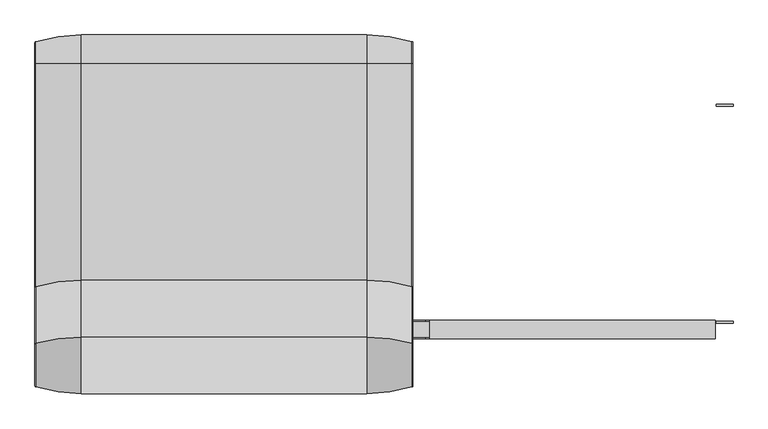
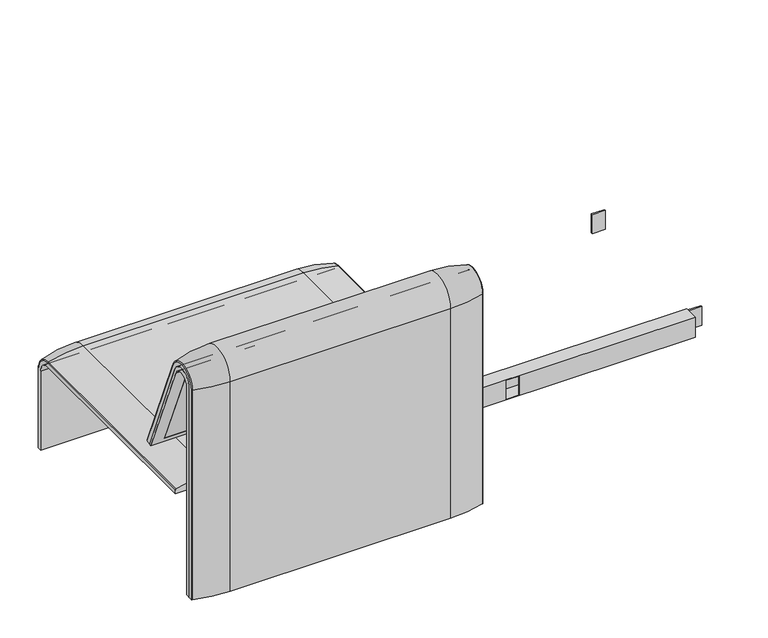
"""IFC4 building model written with IfcOpenShell, lengths in millimetres: furniture geometry."""

from ifc_helpers import new_model, si_unit, point, frame, frame_2d, origin, place, context, project, spatial, polyline, circle_curve, ellipse_curve, trimmed, segment, composite_curve, outline, extrude, source, transform, mapped, element, save
from ifc_brep_helpers import plane_surface, cylinder_surface, revolved_surface, advanced_brep


def furniture_b4c11565(model_context):
    return source(origin(), model_context, "Body", "SolidModel", [
        advanced_brep(
        [(-815.9812488, 368.7793679, 100.5089435), (-813.8426203, 371.6530483, 100.5089435), (-715.9812488, 386.0043559, 100.5089435), (-100.0, 386.0043559, 100.5089435), (-2.1386285, 371.6530483, 100.5089435), (0.0, 368.7793679, 100.5089435), (0.0, 357.5, 100.5089435), (-815.9812488, 357.5, 100.5089435), (-815.9812488, -295.0, 377.4518019), (-815.9812488, -295.0, 366.172434), (0.0, -295.0, 366.172434), (0.0, -295.0, 377.4518019), (-2.1386285, -295.0, 380.3254823), (-100.0, -295.0, 394.67679), (-715.9812488, -295.0, 394.67679), (-813.8426203, -295.0, 380.3254823), (-815.9812488, 357.5, 333.0583003), (-815.9812488, 324.3858663, 366.172434), (-815.9812488, 324.3858663, 377.4518019), (-815.9812488, 368.7793679, 333.0583003), (0.0, 357.5, 333.0583003), (-715.9812488, 386.0043559, 333.0583003), (-100.0, 386.0043559, 333.0583003), (-813.8426203, 371.6530483, 333.0583003), (0.0, 324.3858663, 366.172434), (-715.9812488, 324.3858663, 394.67679), (-100.0, 324.3858663, 394.67679), (-813.8426203, 324.3858663, 380.3254823), (0.0, 368.7793679, 333.0583003), (0.0, 324.3858663, 377.4518019), (-2.1386285, 371.6530483, 333.0583003), (-2.1386285, 324.3858663, 380.3254823)],
        [
            (0, 1, circle_curve(frame((-812.9812488, 368.7793679, 100.5089435), z_axis=(0.0, 0.0, -1.0), x_axis=(1.0, 0.0, 0.0)), 3.0)),
            (1, 2, circle_curve(frame((-715.9812488, 45.1710226, 100.5089435), z_axis=(0.0, 0.0, -1.0), x_axis=(0.0, -1.0, 0.0)), 340.8333333)),
            (2, 3),
            (3, 4, circle_curve(frame((-100.0, 45.1710226, 100.5089435), z_axis=(0.0, 0.0, -1.0), x_axis=(0.0, -1.0, 0.0)), 340.8333333)),
            (4, 5, circle_curve(frame((-3.0, 368.7793679, 100.5089435), z_axis=(0.0, 0.0, -1.0), x_axis=(-1.0, 0.0, 0.0)), 3.0)),
            (5, 6),
            (6, 7),
            (7, 0),
            (8, 9),
            (9, 10),
            (10, 11),
            (11, 12, circle_curve(frame((-3.0, -295.0, 377.4518019), z_axis=(0.0, -1.0, 0.0), x_axis=(-1.0, 0.0, 0.0)), 3.0)),
            (12, 13, circle_curve(frame((-100.0, -295.0, 53.8434566), z_axis=(0.0, -1.0, 0.0), x_axis=(0.0, 0.0, -1.0)), 340.8333333)),
            (13, 14),
            (14, 15, circle_curve(frame((-715.9812488, -295.0, 53.8434566), z_axis=(0.0, -1.0, 0.0), x_axis=(0.0, 0.0, -1.0)), 340.8333333)),
            (15, 8, circle_curve(frame((-812.9812488, -295.0, 377.4518019), z_axis=(0.0, -1.0, 0.0), x_axis=(1.0, 0.0, 0.0)), 3.0)),
            (7, 16),
            (16, 17, circle_curve(frame((-815.9812488, 324.3858663, 333.0583003), z_axis=(1.0, 0.0, 0.0), x_axis=(0.0, 1.0, 0.0)), 33.1141337)),
            (17, 9),
            (8, 18),
            (18, 19, circle_curve(frame((-815.9812488, 324.3858663, 333.0583003), z_axis=(-1.0, 0.0, 0.0), x_axis=(0.0, 1.0, 0.0)), 44.3935016)),
            (19, 0),
            (6, 20),
            (20, 16),
            (2, 21),
            (21, 22),
            (22, 3),
            (1, 23),
            (23, 21, circle_curve(frame((-715.9812488, 45.1710226, 333.0583003), z_axis=(0.0, 0.0, -1.0), x_axis=(0.0, -1.0, 0.0)), 340.8333333)),
            (19, 23, circle_curve(frame((-812.9812488, 368.7793679, 333.0583003), z_axis=(0.0, 0.0, -1.0), x_axis=(1.0, 0.0, 0.0)), 3.0)),
            (24, 17),
            (20, 24, circle_curve(frame((0.0, 324.3858663, 333.0583003), z_axis=(1.0, 0.0, 0.0), x_axis=(0.0, 1.0, 0.0)), 33.1141337)),
            (25, 26),
            (26, 22, circle_curve(frame((-100.0, 324.3858663, 333.0583003), z_axis=(-1.0, 0.0, 0.0), x_axis=(0.0, 1.0, 0.0)), 61.6184897)),
            (21, 25, circle_curve(frame((-715.9812488, 324.3858663, 333.0583003), z_axis=(1.0, 0.0, 0.0), x_axis=(0.0, 1.0, 0.0)), 61.6184897)),
            (27, 25, circle_curve(frame((-715.9812488, 324.3858663, 53.8434566), z_axis=(0.0, 1.0, 0.0), x_axis=(0.0, 0.0, -1.0)), 340.8333333)),
            (23, 27, circle_curve(frame((-813.8426203, 324.3858663, 333.0583003), z_axis=(1.0, 0.0, 0.0), x_axis=(0.0, 1.0, 0.0)), 47.267182)),
            (18, 27, circle_curve(frame((-812.9812488, 324.3858663, 377.4518019), z_axis=(0.0, 1.0, 0.0), x_axis=(1.0, 0.0, 0.0)), 3.0)),
            (24, 10),
            (25, 14),
            (13, 26),
            (27, 15),
            (5, 28),
            (28, 29, circle_curve(frame((0.0, 324.3858663, 333.0583003), z_axis=(1.0, 0.0, 0.0), x_axis=(0.0, 1.0, 0.0)), 44.3935016)),
            (29, 11),
            (4, 30),
            (30, 28, circle_curve(frame((-3.0, 368.7793679, 333.0583003), z_axis=(0.0, 0.0, -1.0), x_axis=(-1.0, 0.0, 0.0)), 3.0)),
            (22, 30, circle_curve(frame((-100.0, 45.1710226, 333.0583003), z_axis=(0.0, 0.0, -1.0), x_axis=(0.0, -1.0, 0.0)), 340.8333333)),
            (31, 29, circle_curve(frame((-3.0, 324.3858663, 377.4518019), z_axis=(0.0, 1.0, 0.0), x_axis=(-1.0, 0.0, 0.0)), 3.0)),
            (30, 31, circle_curve(frame((-2.1386285, 324.3858663, 333.0583003), z_axis=(1.0, 0.0, 0.0), x_axis=(0.0, 1.0, 0.0)), 47.267182)),
            (26, 31, circle_curve(frame((-100.0, 324.3858663, 53.8434566), z_axis=(0.0, 1.0, 0.0), x_axis=(0.0, 0.0, -1.0)), 340.8333333)),
            (31, 12),
        ],
        [
            plane_surface(frame((-815.9812488, 357.5, 100.5089435), z_axis=(0.0, 0.0, -1.0), x_axis=(1.0, 0.0, 0.0))),
            plane_surface(frame((-815.9812488, -295.0, 366.172434), z_axis=(0.0, -1.0, 0.0), x_axis=(1.0, 0.0, 0.0))),
            plane_surface(frame((-815.9812488, 368.7793679, 100.5089435), z_axis=(-1.0, 0.0, 0.0), x_axis=(0.0, 0.0, 1.0))),
            plane_surface(frame((-815.9812488, 357.5, 100.5089435), z_axis=(0.0, -1.0, 0.0), x_axis=(0.0, 0.0, 1.0))),
            plane_surface(frame((-100.0, 386.0043559, 100.5089435), z_axis=(0.0, 1.0, 0.0), x_axis=(0.0, 0.0, 1.0))),
            cylinder_surface(frame((-715.9812488, 45.1710226, 100.5089435), z_axis=(0.0, 0.0, -1.0), x_axis=(0.0, -1.0, 0.0)), 340.8333333),
            cylinder_surface(frame((-812.9812488, 368.7793679, 100.5089435), z_axis=(0.0, 0.0, -1.0), x_axis=(1.0, 0.0, 0.0)), 3.0),
            revolved_surface(polyline([(-815.9812488, 357.5, 333.0583003), (0.0, 357.5, 333.0583003)]), (-815.9812488, 324.3858663, 333.0583003), (-1.0, 0.0, 0.0)),
            cylinder_surface(frame((-815.9812488, 324.3858663, 333.0583003), z_axis=(-1.0, 0.0, 0.0), x_axis=(0.0, 1.0, 0.0)), 61.6184897),
            revolved_surface(trimmed(ellipse_curve(frame((-715.9812488, 45.1710226, 333.0583003), z_axis=(0.0, 0.0, 1.0), x_axis=(0.0, -1.0, 0.0)), 340.8333333, 340.8333333), [point((-715.9812488, 386.0043559, 333.0583003))], [point((-813.8426203, 371.6530483, 333.0583003))], True, "CARTESIAN"), (-815.9812488, 324.3858663, 333.0583003), (-1.0, 0.0, 0.0)),
            revolved_surface(trimmed(ellipse_curve(frame((-812.9812488, 368.7793679, 333.0583003), z_axis=(0.0, 0.0, 1.0), x_axis=(1.0, 0.0, 0.0)), 3.0, 3.0), [point((-813.8426203, 371.6530483, 333.0583003))], [point((-815.9812488, 368.7793679, 333.0583003))], True, "CARTESIAN"), (-815.9812488, 324.3858663, 333.0583003), (-1.0, 0.0, 0.0)),
            plane_surface(frame((-815.9812488, 324.3858663, 366.172434), z_axis=(0.0, 0.0, -1.0), x_axis=(0.0, -1.0, 0.0))),
            plane_surface(frame((-100.0, 324.3858663, 394.67679), z_axis=(0.0, 0.0, 1.0), x_axis=(0.0, -1.0, 0.0))),
            cylinder_surface(frame((-715.9812488, 324.3858663, 53.8434566), z_axis=(0.0, 1.0, 0.0), x_axis=(0.0, 0.0, -1.0)), 340.8333333),
            cylinder_surface(frame((-812.9812488, 324.3858663, 377.4518019), z_axis=(0.0, 1.0, 0.0), x_axis=(1.0, 0.0, 0.0)), 3.0),
            plane_surface(frame((0.0, 357.5, 100.5089435), z_axis=(1.0, 0.0, 0.0), x_axis=(0.0, 0.0, 1.0))),
            cylinder_surface(frame((-3.0, 368.7793679, 100.5089435), z_axis=(0.0, 0.0, -1.0), x_axis=(-1.0, 0.0, 0.0)), 3.0),
            cylinder_surface(frame((-100.0, 45.1710226, 100.5089435), z_axis=(0.0, 0.0, -1.0), x_axis=(0.0, -1.0, 0.0)), 340.8333333),
            revolved_surface(trimmed(ellipse_curve(frame((-3.0, 368.7793679, 333.0583003), z_axis=(0.0, 0.0, 1.0), x_axis=(-1.0, 0.0, 0.0)), 3.0, 3.0), [point((0.0, 368.7793679, 333.0583003))], [point((-2.1386285, 371.6530483, 333.0583003))], True, "CARTESIAN"), (-815.9812488, 324.3858663, 333.0583003), (-1.0, 0.0, 0.0)),
            revolved_surface(trimmed(ellipse_curve(frame((-100.0, 45.1710226, 333.0583003), z_axis=(0.0, 0.0, 1.0), x_axis=(0.0, -1.0, 0.0)), 340.8333333, 340.8333333), [point((-2.1386285, 371.6530483, 333.0583003))], [point((-100.0, 386.0043559, 333.0583003))], True, "CARTESIAN"), (-815.9812488, 324.3858663, 333.0583003), (-1.0, 0.0, 0.0)),
            cylinder_surface(frame((-3.0, 324.3858663, 377.4518019), z_axis=(0.0, 1.0, 0.0), x_axis=(-1.0, 0.0, 0.0)), 3.0),
            cylinder_surface(frame((-100.0, 324.3858663, 53.8434566), z_axis=(0.0, 1.0, 0.0), x_axis=(0.0, 0.0, -1.0)), 340.8333333),
        ],
        [
            (0, [[1, 2, 3, 4, 5, 6, 7, 8]]),
            (1, [[9, 10, 11, 12, 13, 14, 15, 16]]),
            (2, [[17, 18, 19, -9, 20, 21, 22, -8]]),
            (3, [[23, 24, -17, -7]]),
            (4, [[25, 26, 27, -3]]),
            (5, [[28, 29, -25, -2]]),
            (6, [[-22, 30, -28, -1]]),
            (7, [[31, -18, -24, 32]]),
            (8, [[33, 34, -26, 35]]),
            (9, [[36, -35, -29, 37]]),
            (10, [[38, -37, -30, -21]]),
            (11, [[39, -10, -19, -31]]),
            (12, [[40, -14, 41, -33]]),
            (13, [[42, -15, -40, -36]]),
            (14, [[-20, -16, -42, -38]]),
            (15, [[43, 44, 45, -11, -39, -32, -23, -6]]),
            (16, [[46, 47, -43, -5]]),
            (17, [[-27, 48, -46, -4]]),
            (18, [[49, -44, -47, 50]]),
            (19, [[51, -50, -48, -34]]),
            (20, [[52, -12, -45, -49]]),
            (21, [[-41, -13, -52, -51]]),
        ],
    ),
        advanced_brep(
        [(0.0165441, -351.0000061, 101.8476716), (0.0165441, -351.0000061, 712.9272623), (0.0165441, -296.2720241, 723.9759107), (0.0165441, -175.0204081, 435.9866665), (0.0165441, -170.1966807, 437.98305), (0.0165441, -292.4403877, 733.7122262), (0.0165441, -359.7858817, 720.3417731), (0.0165441, -359.7858817, 101.8476716), (-815.9647047, -351.0000061, 101.8476716), (-815.9647047, -359.7858817, 101.8476716), (-815.9647047, -359.7858817, 720.3417731), (-815.9647047, -292.4403877, 733.7122262), (-815.9647047, -170.1966807, 437.98305), (-815.9647047, -175.0204081, 435.9866665), (-815.9647047, -296.2458652, 723.9869215), (-815.9647047, -351.0000061, 712.9272623), (-781.0812488, -292.4403877, 733.7122262), (-781.0812488, -176.0980387, 452.25948), (-34.9, -176.0980387, 452.25948), (-34.9, -292.4403877, 733.7122262), (-34.9, -296.2458652, 723.9869215), (-34.9, -181.0136548, 450.2250668), (-781.0812488, -181.0136548, 450.2250668), (-781.0812488, -296.2458652, 723.9869215), (-781.0812488, -351.0000061, 712.9272623), (-781.0812488, -351.0000061, 135.3766997), (-34.9, -351.0000061, 135.3766997), (-34.9, -351.0000061, 712.9272623), (-34.9, -359.7858817, 720.3417731), (-34.9, -359.7858817, 135.3766997), (-781.0812488, -359.7858817, 135.3766997), (-781.0812488, -359.7858817, 720.3417731)],
        [
            (0, 1),
            (1, 2, circle_curve(frame((0.0165441, -322.520748, 712.9272623), z_axis=(-1.0, 0.0, 0.0), x_axis=(0.0, 1.0, 0.0)), 28.479258)),
            (2, 3),
            (3, 4),
            (4, 5),
            (5, 6, circle_curve(frame((0.0165441, -324.7858817, 720.3417731), z_axis=(1.0, 0.0, 0.0), x_axis=(0.0, 1.0, 0.0)), 35.0)),
            (6, 7),
            (7, 0),
            (8, 9),
            (9, 10),
            (10, 11, circle_curve(frame((-815.9647047, -324.7858817, 720.3417731), z_axis=(-1.0, 0.0, 0.0), x_axis=(0.0, 1.0, 0.0)), 35.0)),
            (11, 12),
            (12, 13),
            (13, 14),
            (14, 15, circle_curve(frame((-815.9647047, -322.520748, 712.9272623), z_axis=(1.0, 0.0, 0.0), x_axis=(0.0, 1.0, 0.0)), 28.479258)),
            (15, 8),
            (4, 12),
            (11, 16),
            (16, 17),
            (17, 18),
            (18, 19),
            (19, 5),
            (3, 13),
            (2, 20),
            (20, 21),
            (21, 22),
            (22, 23),
            (23, 14),
            (0, 8),
            (15, 24),
            (24, 25),
            (25, 26),
            (26, 27),
            (27, 1),
            (7, 9),
            (6, 28),
            (28, 29),
            (29, 30),
            (30, 31),
            (31, 10),
            (19, 28, circle_curve(frame((-34.9, -324.7858817, 720.3417731), z_axis=(1.0, 0.0, 0.0), x_axis=(0.0, 1.0, 0.0)), 35.0)),
            (31, 16, circle_curve(frame((-781.0812488, -324.7858817, 720.3417731), z_axis=(-1.0, 0.0, 0.0), x_axis=(0.0, 1.0, 0.0)), 35.0)),
            (27, 20, circle_curve(frame((-34.9, -322.520748, 712.9272623), z_axis=(-1.0, 0.0, 0.0), x_axis=(0.0, 1.0, 0.0)), 28.479258)),
            (23, 24, circle_curve(frame((-781.0812488, -322.520748, 712.9272623), z_axis=(1.0, 0.0, 0.0), x_axis=(0.0, 1.0, 0.0)), 28.479258)),
            (26, 29),
            (18, 21),
            (22, 17),
            (30, 25),
        ],
        [
            plane_surface(frame((0.0165441, -359.7858817, 101.8476716), z_axis=(1.0, 0.0, 0.0), x_axis=(0.0, -1.0, 0.0))),
            plane_surface(frame((-815.9647047, -359.7858817, 101.8476716), z_axis=(-1.0, 0.0, 0.0), x_axis=(0.0, 1.0, 0.0))),
            plane_surface(frame((0.0165441, -292.4403877, 733.7122262), z_axis=(0.0, 0.9241569717933176, 0.3820129467515535), x_axis=(-1.0, 0.0, 0.0))),
            plane_surface(frame((0.0165441, -170.1966807, 437.98305), z_axis=(0.0, 0.38241039441983893, -0.9239925812687368), x_axis=(-1.0, 0.0, 0.0))),
            plane_surface(frame((0.0165441, -175.0204081, 435.9866665), z_axis=(0.0, -0.921678643444566, -0.3879542218073993), x_axis=(-1.0, 0.0, 0.0))),
            plane_surface(frame((0.0165441, -351.0000061, 712.9272623), z_axis=(0.0, 1.0, 0.0), x_axis=(-1.0, 0.0, 0.0))),
            plane_surface(frame((0.0165441, -351.0000061, 101.8476716), z_axis=(0.0, 0.0, -1.0), x_axis=(-1.0, 0.0, 0.0))),
            plane_surface(frame((0.0165441, -359.7858817, 101.8476716), z_axis=(0.0, -1.0, 0.0), x_axis=(-1.0, 0.0, 0.0))),
            cylinder_surface(frame((-815.9647047, -324.7858817, 720.3417731), z_axis=(1.0, 0.0, 0.0), x_axis=(0.0, 1.0, 0.0)), 35.0),
            revolved_surface(polyline([(-34.89999999999998, -294.04149, 712.9272623), (0.016544100000032813, -294.04149, 712.9272623)]), (-815.9647047, -322.520748, 712.9272623), (-1.0, 0.0, 0.0)),
            revolved_surface(polyline([(-815.9647047, -294.04149, 712.9272623), (-781.0812488, -294.04149, 712.9272623)]), (-815.9647047, -322.520748, 712.9272623), (-1.0, 0.0, 0.0)),
            plane_surface(frame((-34.9, -359.7858817, 135.3766997), z_axis=(-1.0, 0.0, 0.0), x_axis=(0.0, -1.0, 0.0))),
            plane_surface(frame((-781.0812488, -359.7858817, 135.3766997), z_axis=(1.0, 0.0, 0.0), x_axis=(0.0, 1.0, 0.0))),
            plane_surface(frame((-34.9, -166.9120641, 456.0612553), z_axis=(0.0, -0.38241039441982605, 0.9239925812687422), x_axis=(-1.0, 0.0, 0.0))),
            plane_surface(frame((-34.9, -344.7858817, 135.3766997), z_axis=(0.0, 0.0, 1.0), x_axis=(-1.0, 0.0, 0.0))),
        ],
        [
            (0, [[1, 2, 3, 4, 5, 6, 7, 8]]),
            (1, [[9, 10, 11, 12, 13, 14, 15, 16]]),
            (2, [[17, -12, 18, 19, 20, 21, 22, -5]]),
            (3, [[23, -13, -17, -4]]),
            (4, [[24, 25, 26, 27, 28, -14, -23, -3]]),
            (5, [[29, -16, 30, 31, 32, 33, 34, -1]]),
            (6, [[35, -9, -29, -8]]),
            (7, [[36, 37, 38, 39, 40, -10, -35, -7]]),
            (8, [[-22, 41, -36, -6]]),
            (8, [[-40, 42, -18, -11]]),
            (9, [[-34, 43, -24, -2]]),
            (10, [[-28, 44, -30, -15]]),
            (11, [[-25, -43, -33, 45, -37, -41, -21, 46]]),
            (12, [[-31, -44, -27, 47, -19, -42, -39, 48]]),
            (13, [[-20, -47, -26, -46]]),
            (14, [[-32, -48, -38, -45]]),
        ],
    ),
        advanced_brep(
        [(-34.9, -351.0000061, 135.3766997), (-34.9, -351.0000061, 712.9272623), (-34.9, -296.2720241, 723.9759107), (-34.9, -181.0136548, 450.2250668), (-34.9, -176.0980387, 452.25948), (-34.9, -292.4403877, 733.7122262), (-34.9, -359.7858817, 720.3417731), (-34.9, -359.7858817, 135.3766997), (-781.0812488, -351.0000061, 135.3766997), (-781.0812488, -359.7858817, 135.3766997), (-781.0812488, -359.7858817, 720.3417731), (-781.0812488, -292.4403877, 733.7122262), (-781.0812488, -176.0980387, 452.25948), (-781.0812488, -181.0136548, 450.2250668), (-781.0812488, -296.2458652, 723.9869215), (-781.0812488, -351.0000061, 712.9272623)],
        [
            (0, 1),
            (1, 2, circle_curve(frame((-34.9, -322.520748, 712.9272623), z_axis=(-1.0, 0.0, 0.0), x_axis=(0.0, 1.0, 0.0)), 28.479258)),
            (2, 3),
            (3, 4),
            (4, 5),
            (5, 6, circle_curve(frame((-34.9, -324.7858817, 720.3417731), z_axis=(1.0, 0.0, 0.0), x_axis=(0.0, 1.0, 0.0)), 35.0)),
            (6, 7),
            (7, 0),
            (8, 9),
            (9, 10),
            (10, 11, circle_curve(frame((-781.0812488, -324.7858817, 720.3417731), z_axis=(-1.0, 0.0, 0.0), x_axis=(0.0, 1.0, 0.0)), 35.0)),
            (11, 12),
            (12, 13),
            (13, 14),
            (14, 15, circle_curve(frame((-781.0812488, -322.520748, 712.9272623), z_axis=(1.0, 0.0, 0.0), x_axis=(0.0, 1.0, 0.0)), 28.479258)),
            (15, 8),
            (4, 12),
            (11, 5),
            (3, 13),
            (2, 14),
            (0, 8),
            (15, 1),
            (7, 9),
            (6, 10),
        ],
        [
            plane_surface(frame((-34.9, -359.7858817, 135.3766997), z_axis=(1.0, 0.0, 0.0), x_axis=(0.0, -1.0, 0.0))),
            plane_surface(frame((-781.0812488, -359.7858817, 135.3766997), z_axis=(-1.0, 0.0, 0.0), x_axis=(0.0, 1.0, 0.0))),
            plane_surface(frame((-34.9, -292.4403877, 733.7122262), z_axis=(0.0, 0.9241569717933176, 0.3820129467515535), x_axis=(-1.0, 0.0, 0.0))),
            plane_surface(frame((-34.9, -176.0980387, 452.25948), z_axis=(0.0, 0.38241039441982716, -0.9239925812687417), x_axis=(-1.0, 0.0, 0.0))),
            plane_surface(frame((-34.9, -181.0136548, 450.2250668), z_axis=(0.0, -0.921678643444566, -0.3879542218073993), x_axis=(-1.0, 0.0, 0.0))),
            plane_surface(frame((-34.9, -351.0000061, 712.9272623), z_axis=(0.0, 1.0, 0.0), x_axis=(-1.0, 0.0, 0.0))),
            plane_surface(frame((-34.9, -351.0000061, 135.3766997), z_axis=(0.0, 0.0, -1.0), x_axis=(-1.0, 0.0, 0.0))),
            plane_surface(frame((-34.9, -359.7858817, 135.3766997), z_axis=(0.0, -1.0, 0.0), x_axis=(-1.0, 0.0, 0.0))),
            cylinder_surface(frame((-781.0812488, -324.7858817, 720.3417731), z_axis=(1.0, 0.0, 0.0), x_axis=(0.0, 1.0, 0.0)), 35.0),
            revolved_surface(polyline([(-781.0812488, -294.04149, 712.9272623), (-34.89999999999998, -294.04149, 712.9272623)]), (-781.0812488, -322.520748, 712.9272623), (-1.0, 0.0, 0.0)),
        ],
        [
            (0, [[1, 2, 3, 4, 5, 6, 7, 8]]),
            (1, [[9, 10, 11, 12, 13, 14, 15, 16]]),
            (2, [[17, -12, 18, -5]]),
            (3, [[19, -13, -17, -4]]),
            (4, [[20, -14, -19, -3]]),
            (5, [[21, -16, 22, -1]]),
            (6, [[23, -9, -21, -8]]),
            (7, [[24, -10, -23, -7]]),
            (8, [[-18, -11, -24, -6]]),
            (9, [[-22, -15, -20, -2]]),
        ],
    ),
        extrude(outline(composite_curve([segment(polyline([(-305.0000061, 349.9223263), (-285.0000061, 349.9223263)]), True, "CONTINUOUS"), segment(trimmed(circle_curve(frame_2d((-285.0000061, 359.9223263)), 10.0), [point((-285.0000061, 349.9223263))], [point((-275.0000061, 359.9223263))], True, "CARTESIAN"), True, "CONTINUOUS"), segment(polyline([(-275.0000061, 359.9223263), (-270.0000061, 359.9223263), (-270.0000061, 299.9223263), (-309.4476, 299.9223263)]), True, "CONTINUOUS"), segment(trimmed(circle_curve(frame_2d((-309.4476, 269.9223263)), 30.0), [point((-309.4476, 299.9223263))], [point((-339.4064861, 271.492405))], True, "CARTESIAN"), True, "CONTINUOUS"), segment(polyline([(-339.4064861, 271.492405), (-343.3075759, 197.0551771), (-351.0000061, 197.0551771), (-351.0000061, 712.9272623)]), True, "CONTINUOUS"), segment(trimmed(circle_curve(frame_2d((-322.520748, 712.9272623)), 28.479258), [point((-351.0000061, 712.9272623))], [point((-296.3054528, 724.0549949))], False, "CARTESIAN"), True, "CONTINUOUS"), segment(polyline([(-296.3054528, 724.0549949), (-213.7507451, 529.5682915), (-222.2725218, 526.5505721), (-238.0355877, 560.3545758)]), True, "CONTINUOUS"), segment(trimmed(circle_curve(frame_2d((-251.6302045, 554.0153019)), 15.0), [point((-238.0355877, 560.3545758))], [point((-257.4911714, 567.8228747))], True, "CARTESIAN"), True, "CONTINUOUS"), segment(polyline([(-257.4911714, 567.8228747), (-316.7219399, 542.6809051)]), True, "CONTINUOUS"), segment(trimmed(circle_curve(frame_2d((-305.0000061, 515.0657595)), 30.0), [point((-316.7219399, 542.6809051))], [point((-335.0000061, 515.0657595))], True, "CARTESIAN"), True, "CONTINUOUS"), segment(polyline([(-335.0000061, 515.0657595), (-335.0000061, 379.9223263)]), True, "CONTINUOUS"), segment(trimmed(circle_curve(frame_2d((-305.0000061, 379.9223263)), 30.0), [point((-335.0000061, 379.9223263))], [point((-305.0000061, 349.9223263))], True, "CARTESIAN"), True, "CONTINUOUS")], self_intersect=False), holes=[composite_curve([segment(trimmed(circle_curve(frame_2d((-319.9867182, 576.3274105)), 17.5132879), [point((-337.5000061, 576.3274105))], [point((-314.1406626, 559.8186587))], True, "CARTESIAN"), True, "CONTINUOUS"), segment(polyline([(-314.1406626, 559.8186587), (-265.0756376, 577.1934953)]), True, "CONTINUOUS"), segment(trimmed(circle_curve(frame_2d((-271.7517748, 596.0463251)), 20.0), [point((-265.0756376, 577.1934953))], [point((-253.6256191, 604.4986904))], True, "CARTESIAN"), True, "CONTINUOUS"), segment(polyline([(-253.6256191, 604.4986904), (-308.9053893, 723.0465402)]), True, "CONTINUOUS"), segment(trimmed(circle_curve(frame_2d((-322.5000061, 716.7072663)), 15.0), [point((-308.9053893, 723.0465402))], [point((-337.5000061, 716.7072663))], True, "CARTESIAN"), True, "CONTINUOUS"), segment(polyline([(-337.5000061, 716.7072663), (-337.5000061, 576.3274105)]), True, "CONTINUOUS")], self_intersect=False)]), frame((-162.9958276, 0.0, 0.0), z_axis=(1.0, 0.0, 0.0), x_axis=(0.0, 1.0, 0.0)), (0.0, 0.0, 1.0), 40.0),
        advanced_brep(
        [(-99.9834559, -388.2902376, 100.5089435), (-715.997793, -388.2902376, 100.5089435), (-813.8591645, -373.93893, 100.5089435), (-815.997793, -371.0652495, 100.5089435), (-815.997793, -359.7858817, 100.5089435), (0.0165441, -359.7858817, 100.5089435), (0.0165441, -371.0652495, 100.5089435), (-2.1220844, -373.93893, 100.5089435), (-99.9834559, -388.2902376, 720.3417731), (-715.997793, -388.2902376, 720.3417731), (-2.1220844, -373.93893, 720.3417731), (0.0165441, -371.0652495, 720.3417731), (0.0165441, -359.7858817, 720.3417731), (0.0165441, -292.4403877, 733.7122262), (0.0165441, -170.1962447, 437.9819952), (0.0165441, -159.7723383, 442.2908598), (0.0165441, -282.0164812, 738.0210907), (-815.997793, -359.7858817, 720.3417731), (-99.9834559, -143.8537454, 448.8710282), (-2.1220844, -157.1166065, 443.3886429), (-815.997793, -170.1962447, 437.9819952), (-815.997793, -159.7723383, 442.2908598), (-813.8591645, -157.1166065, 443.3886429), (-715.997793, -143.8537454, 448.8710282), (-99.9834559, -266.0978884, 744.6012592), (-715.997793, -266.0978884, 744.6012592), (-2.1220844, -279.3607494, 739.1188739), (-815.997793, -292.4403877, 733.7122262), (-815.997793, -371.0652495, 720.3417731), (-815.997793, -282.0164812, 738.0210907), (-813.8591645, -373.93893, 720.3417731), (-813.8591645, -279.3607494, 739.1188739)],
        [
            (0, 1),
            (1, 2, circle_curve(frame((-715.997793, -47.4569043, 100.5089435), z_axis=(0.0, 0.0, -1.0), x_axis=(0.0, 1.0, 0.0)), 340.8333333)),
            (2, 3, circle_curve(frame((-812.997793, -371.0652495, 100.5089435), z_axis=(0.0, 0.0, -1.0), x_axis=(-1.0, 0.0, 0.0)), 3.0)),
            (3, 4),
            (4, 5),
            (5, 6),
            (6, 7, circle_curve(frame((-2.9834559, -371.0652495, 100.5089435), z_axis=(0.0, 0.0, -1.0), x_axis=(1.0, 0.0, 0.0)), 3.0)),
            (7, 0, circle_curve(frame((-99.9834559, -47.4569043, 100.5089435), z_axis=(0.0, 0.0, -1.0), x_axis=(0.0, 1.0, 0.0)), 340.8333333)),
            (0, 8),
            (8, 9),
            (9, 1),
            (7, 10),
            (10, 8, circle_curve(frame((-99.9834559, -47.4569043, 720.3417731), z_axis=(0.0, 0.0, -1.0), x_axis=(0.0, 1.0, 0.0)), 340.8333333)),
            (6, 11),
            (11, 10, circle_curve(frame((-2.9834559, -371.0652495, 720.3417731), z_axis=(0.0, 0.0, -1.0), x_axis=(1.0, 0.0, 0.0)), 3.0)),
            (5, 12),
            (12, 13, circle_curve(frame((0.0165441, -324.7858817, 720.3417731), z_axis=(-1.0, 0.0, 0.0), x_axis=(0.0, -1.0, 0.0)), 35.0)),
            (13, 14),
            (14, 15),
            (15, 16),
            (16, 11, circle_curve(frame((0.0165441, -324.7858817, 720.3417731), z_axis=(1.0, 0.0, 0.0), x_axis=(0.0, -1.0, 0.0)), 46.2793679)),
            (4, 17),
            (17, 12),
            (18, 19, circle_curve(frame((-99.9834559, -458.8372467, 318.6682822), z_axis=(0.0, 0.38201294675155345, -0.9241569717933176), x_axis=(0.0, -0.9241569717933176, -0.38201294675155345)), 340.8333333)),
            (19, 15, circle_curve(frame((-2.9834559, -159.7723383, 442.2908598), z_axis=(0.0, 0.38201294675155345, -0.9241569717933176), x_axis=(1.0, 0.0, 0.0)), 3.0)),
            (14, 20),
            (20, 21),
            (21, 22, circle_curve(frame((-812.997793, -159.7723383, 442.2908598), z_axis=(0.0, 0.38201294675155345, -0.9241569717933176), x_axis=(-1.0, 0.0, 0.0)), 3.0)),
            (22, 23, circle_curve(frame((-715.997793, -458.8372467, 318.6682822), z_axis=(0.0, 0.38201294675155345, -0.9241569717933176), x_axis=(0.0, -0.9241569717933176, -0.38201294675155345)), 340.8333333)),
            (23, 18),
            (24, 25),
            (25, 9, circle_curve(frame((-715.997793, -324.7858817, 720.3417731), z_axis=(1.0, 0.0, 0.0), x_axis=(0.0, -1.0, 0.0)), 63.5043559)),
            (8, 24, circle_curve(frame((-99.9834559, -324.7858817, 720.3417731), z_axis=(-1.0, 0.0, 0.0), x_axis=(0.0, -1.0, 0.0)), 63.5043559)),
            (26, 24, circle_curve(frame((-99.9834559, -581.0813896, 614.3985132), z_axis=(0.0, -0.3820129467515544, 0.9241569717933172), x_axis=(0.0, -0.9241569717933172, -0.3820129467515544)), 340.8333333)),
            (10, 26, circle_curve(frame((-2.1220844, -324.7858817, 720.3417731), z_axis=(-1.0, 0.0, 0.0), x_axis=(0.0, -1.0, 0.0)), 49.1530483)),
            (16, 26, circle_curve(frame((-2.9834559, -282.0164812, 738.0210907), z_axis=(0.0, -0.38201294675155356, 0.9241569717933176), x_axis=(1.0, 0.0, 0.0)), 3.0)),
            (27, 13),
            (17, 27, circle_curve(frame((-815.997793, -324.7858817, 720.3417731), z_axis=(-1.0, 0.0, 0.0), x_axis=(0.0, -1.0, 0.0)), 35.0)),
            (24, 18),
            (23, 25),
            (26, 19),
            (27, 20),
            (3, 28),
            (28, 29, circle_curve(frame((-815.997793, -324.7858817, 720.3417731), z_axis=(-1.0, 0.0, 0.0), x_axis=(0.0, -1.0, 0.0)), 46.2793679)),
            (29, 21),
            (2, 30),
            (30, 28, circle_curve(frame((-812.997793, -371.0652495, 720.3417731), z_axis=(0.0, 0.0, -1.0), x_axis=(-1.0, 0.0, 0.0)), 3.0)),
            (9, 30, circle_curve(frame((-715.997793, -47.4569043, 720.3417731), z_axis=(0.0, 0.0, -1.0), x_axis=(0.0, 1.0, 0.0)), 340.8333333)),
            (31, 29, circle_curve(frame((-812.997793, -282.0164812, 738.0210907), z_axis=(0.0, -0.3820129467515556, 0.9241569717933167), x_axis=(-1.0, 0.0, 0.0)), 3.0)),
            (30, 31, circle_curve(frame((-813.8591645, -324.7858817, 720.3417731), z_axis=(-1.0, 0.0, 0.0), x_axis=(0.0, -1.0, 0.0)), 49.1530483)),
            (25, 31, circle_curve(frame((-715.997793, -581.0813896, 614.3985132), z_axis=(0.0, -0.382012946751556, 0.9241569717933165), x_axis=(0.0, -0.9241569717933165, -0.382012946751556)), 340.8333333)),
            (31, 22),
        ],
        [
            plane_surface(frame((-403.2256012, -359.7858817, 100.5089435), z_axis=(0.0, 0.0, -1.0), x_axis=(1.0, 0.0, 0.0))),
            plane_surface(frame((-715.997793, -388.2902376, 100.5089435), z_axis=(0.0, -1.0, 0.0), x_axis=(0.0, 0.0, 1.0))),
            cylinder_surface(frame((-99.9834559, -47.4569043, 100.5089435), z_axis=(0.0, 0.0, -1.0), x_axis=(0.0, 1.0, 0.0)), 340.8333333),
            cylinder_surface(frame((-2.9834559, -371.0652495, 100.5089435), z_axis=(0.0, 0.0, -1.0), x_axis=(1.0, 0.0, 0.0)), 3.0),
            plane_surface(frame((0.0165441, -371.0652495, 100.5089435), z_axis=(1.0, 0.0, 0.0), x_axis=(0.0, 0.0, 1.0))),
            plane_surface(frame((0.0165441, -359.7858817, 100.5089435), z_axis=(0.0, 1.0, 0.0), x_axis=(0.0, 0.0, 1.0))),
            plane_surface(frame((-403.2256012, -170.1962447, 437.9819952), z_axis=(0.0, 0.38201294675155345, -0.9241569717933176), x_axis=(1.0, 0.0, 0.0))),
            cylinder_surface(frame((-403.2256012, -324.7858817, 720.3417731), z_axis=(1.0, 0.0, 0.0), x_axis=(0.0, -1.0, 0.0)), 63.5043559),
            revolved_surface(trimmed(ellipse_curve(frame((-99.9834559, -47.4569043, 720.3417731), z_axis=(0.0, 0.0, 1.0), x_axis=(0.0, 1.0, 0.0)), 340.8333333, 340.8333333), [point((-99.9834559, -388.2902376, 720.3417731))], [point((-2.1220844, -373.93893, 720.3417731))], True, "CARTESIAN"), (-403.2256012, -324.7858817, 720.3417731), (1.0, 0.0, 0.0)),
            revolved_surface(trimmed(ellipse_curve(frame((-2.9834559, -371.0652495, 720.3417731), z_axis=(0.0, 0.0, 1.0), x_axis=(1.0, 0.0, 0.0)), 3.0, 3.0), [point((-2.1220844, -373.93893, 720.3417731))], [point((0.0165441, -371.0652495, 720.3417731))], True, "CARTESIAN"), (-403.2256012, -324.7858817, 720.3417731), (1.0, 0.0, 0.0)),
            revolved_surface(polyline([(0.01654409999997597, -359.7858817, 720.3417731), (-815.997793, -359.7858817, 720.3417731)]), (-403.2256012, -324.7858817, 720.3417731), (1.0, 0.0, 0.0)),
            plane_surface(frame((-715.997793, -266.0978884, 744.6012592), z_axis=(0.0, 0.9241569717933176, 0.38201294675155356), x_axis=(0.0, 0.38201294675155356, -0.9241569717933176))),
            cylinder_surface(frame((-99.9834559, -581.0813896, 614.3985132), z_axis=(0.0, -0.38201294675155345, 0.9241569717933176), x_axis=(0.0, -0.9241569717933176, -0.38201294675155345)), 340.8333333),
            cylinder_surface(frame((-2.9834559, -282.0164812, 738.0210907), z_axis=(0.0, -0.38201294675155345, 0.9241569717933176), x_axis=(1.0, 0.0, 0.0)), 3.0),
            plane_surface(frame((0.0165441, -292.4403877, 733.7122262), z_axis=(0.0, -0.9241569717933176, -0.38201294675155356), x_axis=(0.0, 0.38201294675155356, -0.9241569717933176))),
            plane_surface(frame((-815.997793, -359.7858817, 100.5089435), z_axis=(-1.0, 0.0, 0.0), x_axis=(0.0, 0.0, 1.0))),
            cylinder_surface(frame((-812.997793, -371.0652495, 100.5089435), z_axis=(0.0, 0.0, -1.0), x_axis=(-1.0, 0.0, 0.0)), 3.0),
            cylinder_surface(frame((-715.997793, -47.4569043, 100.5089435), z_axis=(0.0, 0.0, -1.0), x_axis=(0.0, 1.0, 0.0)), 340.8333333),
            revolved_surface(trimmed(ellipse_curve(frame((-812.997793, -371.0652495, 720.3417731), z_axis=(0.0, 0.0, 1.0), x_axis=(-1.0, 0.0, 0.0)), 3.0, 3.0), [point((-815.997793, -371.0652495, 720.3417731))], [point((-813.8591645, -373.93893, 720.3417731))], True, "CARTESIAN"), (-403.2256012, -324.7858817, 720.3417731), (1.0, 0.0, 0.0)),
            revolved_surface(trimmed(ellipse_curve(frame((-715.997793, -47.4569043, 720.3417731), z_axis=(0.0, 0.0, 1.0), x_axis=(0.0, 1.0, 0.0)), 340.8333333, 340.8333333), [point((-813.8591645, -373.93893, 720.3417731))], [point((-715.997793, -388.2902376, 720.3417731))], True, "CARTESIAN"), (-403.2256012, -324.7858817, 720.3417731), (1.0, 0.0, 0.0)),
            cylinder_surface(frame((-812.997793, -282.0164812, 738.0210907), z_axis=(0.0, -0.38201294675155345, 0.9241569717933176), x_axis=(-1.0, 0.0, 0.0)), 3.0),
            cylinder_surface(frame((-715.997793, -581.0813896, 614.3985132), z_axis=(0.0, -0.38201294675155345, 0.9241569717933176), x_axis=(0.0, -0.9241569717933176, -0.38201294675155345)), 340.8333333),
        ],
        [
            (0, [[1, 2, 3, 4, 5, 6, 7, 8]]),
            (1, [[9, 10, 11, -1]]),
            (2, [[12, 13, -9, -8]]),
            (3, [[14, 15, -12, -7]]),
            (4, [[16, 17, 18, 19, 20, 21, -14, -6]]),
            (5, [[22, 23, -16, -5]]),
            (6, [[24, 25, -19, 26, 27, 28, 29, 30]]),
            (7, [[31, 32, -10, 33]]),
            (8, [[34, -33, -13, 35]]),
            (9, [[36, -35, -15, -21]]),
            (10, [[37, -17, -23, 38]]),
            (11, [[39, -30, 40, -31]]),
            (12, [[41, -24, -39, -34]]),
            (13, [[-20, -25, -41, -36]]),
            (14, [[42, -26, -18, -37]]),
            (15, [[43, 44, 45, -27, -42, -38, -22, -4]]),
            (16, [[46, 47, -43, -3]]),
            (17, [[-11, 48, -46, -2]]),
            (18, [[49, -44, -47, 50]]),
            (19, [[51, -50, -48, -32]]),
            (20, [[52, -28, -45, -49]]),
            (21, [[-40, -29, -52, -51]]),
        ],
    ),
        extrude(outline(composite_curve([segment(polyline([(-305.0000061, 349.9223263), (-285.0000061, 349.9223263)]), True, "CONTINUOUS"), segment(trimmed(circle_curve(frame_2d((-285.0000061, 359.9223263)), 10.0), [point((-285.0000061, 349.9223263))], [point((-275.0000061, 359.9223263))], True, "CARTESIAN"), True, "CONTINUOUS"), segment(polyline([(-275.0000061, 359.9223263), (-270.0000061, 359.9223263), (-270.0000061, 299.9223263), (-309.4476, 299.9223263)]), True, "CONTINUOUS"), segment(trimmed(circle_curve(frame_2d((-309.4476, 269.9223263)), 30.0), [point((-309.4476, 299.9223263))], [point((-339.4064861, 271.492405))], True, "CARTESIAN"), True, "CONTINUOUS"), segment(polyline([(-339.4064861, 271.492405), (-343.3075759, 197.0551771), (-351.0000061, 197.0551771), (-351.0000061, 712.9272623)]), True, "CONTINUOUS"), segment(trimmed(circle_curve(frame_2d((-322.520748, 712.9272623)), 28.479258), [point((-351.0000061, 712.9272623))], [point((-296.3054528, 724.0549949))], False, "CARTESIAN"), True, "CONTINUOUS"), segment(polyline([(-296.3054528, 724.0549949), (-213.7507451, 529.5682915), (-222.2725218, 526.5505721), (-238.0355877, 560.3545758)]), True, "CONTINUOUS"), segment(trimmed(circle_curve(frame_2d((-251.6302045, 554.0153019)), 15.0), [point((-238.0355877, 560.3545758))], [point((-257.4911714, 567.8228747))], True, "CARTESIAN"), True, "CONTINUOUS"), segment(polyline([(-257.4911714, 567.8228747), (-316.7219399, 542.6809051)]), True, "CONTINUOUS"), segment(trimmed(circle_curve(frame_2d((-305.0000061, 515.0657595)), 30.0), [point((-316.7219399, 542.6809051))], [point((-335.0000061, 515.0657595))], True, "CARTESIAN"), True, "CONTINUOUS"), segment(polyline([(-335.0000061, 515.0657595), (-335.0000061, 379.9223263)]), True, "CONTINUOUS"), segment(trimmed(circle_curve(frame_2d((-305.0000061, 379.9223263)), 30.0), [point((-335.0000061, 379.9223263))], [point((-305.0000061, 349.9223263))], True, "CARTESIAN"), True, "CONTINUOUS")], self_intersect=False), holes=[composite_curve([segment(trimmed(circle_curve(frame_2d((-319.9867182, 576.3274105)), 17.5132879), [point((-337.5000061, 576.3274105))], [point((-314.1406626, 559.8186587))], True, "CARTESIAN"), True, "CONTINUOUS"), segment(polyline([(-314.1406626, 559.8186587), (-265.0756376, 577.1934953)]), True, "CONTINUOUS"), segment(trimmed(circle_curve(frame_2d((-271.7517748, 596.0463251)), 20.0), [point((-265.0756376, 577.1934953))], [point((-253.6256191, 604.4986904))], True, "CARTESIAN"), True, "CONTINUOUS"), segment(polyline([(-253.6256191, 604.4986904), (-308.9053893, 723.0465402)]), True, "CONTINUOUS"), segment(trimmed(circle_curve(frame_2d((-322.5000061, 716.7072663)), 15.0), [point((-308.9053893, 723.0465402))], [point((-337.5000061, 716.7072663))], True, "CARTESIAN"), True, "CONTINUOUS"), segment(polyline([(-337.5000061, 716.7072663), (-337.5000061, 576.3274105)]), True, "CONTINUOUS")], self_intersect=False)]), frame((-692.9854212, 0.0, 0.0), z_axis=(1.0, 0.0, 0.0), x_axis=(0.0, 1.0, 0.0)), (0.0, 0.0, 1.0), 40.0),
        extrude(outline(polyline([(654.9772215, 236.0000008), (690.9659032, 236.0000008), (690.9659032, 232.0000015), (654.9772215, 232.0000015), (654.9772215, 236.0000008)])), frame((0.0, 0.0, 301.9086098), z_axis=(0.0, 0.0, 1.0), x_axis=(1.0, 0.0, 0.0)), (0.0, 0.0, 1.0), 56.013824),
        extrude(outline(polyline([(654.9772215, -236.0000008), (654.9772215, -232.0000015), (690.9659032, -232.0000015), (690.9659032, -236.0000008), (654.9772215, -236.0000008)])), frame((0.0, 0.0, 301.9086098), z_axis=(0.0, 0.0, 1.0), x_axis=(1.0, 0.0, 0.0)), (0.0, 0.0, 1.0), 56.013824),
        extrude(outline(polyline([(-654.9772215, -236.0000008), (-690.9659032, -236.0000008), (-690.9659032, -232.0000015), (-654.9772215, -232.0000015), (-654.9772215, -236.0000008)])), frame((0.0, 0.0, 301.9086098), z_axis=(0.0, 0.0, 1.0), x_axis=(1.0, 0.0, 0.0)), (0.0, 0.0, 1.0), 56.013824),
        extrude(outline(polyline([(-654.9772215, 236.0000008), (-654.9772215, 232.0000015), (-690.9659032, 232.0000015), (-690.9659032, 236.0000008), (-654.9772215, 236.0000008)])), frame((0.0, 0.0, 301.9086098), z_axis=(0.0, 0.0, 1.0), x_axis=(1.0, 0.0, 0.0)), (0.0, 0.0, 1.0), 56.013824),
        advanced_brep(
        [(0.0, -230.0000056, 346.6346058), (0.0, -232.0000018, 346.6346058), (25.9966488, -232.0000018, 346.6346058), (25.9966488, -230.0000056, 346.6346058), (0.0, -268.0000023, 346.6346058), (0.0, -270.0000061, 346.6346058), (25.9966488, -270.0000061, 346.6346058), (25.9966488, -268.0000023, 346.6346058), (35.9966488, -232.0000018, 356.6346058), (35.9966488, -230.0000056, 356.6346058), (35.9966488, -270.0000061, 356.6346058), (35.9966488, -268.0000023, 356.6346058), (35.9966488, -232.0000018, 357.9224338), (35.9966488, -268.0000023, 357.9224338), (35.9966488, -270.0000061, 359.922434), (35.9966488, -230.0000056, 359.922434), (-35.9966488, -232.0000018, 356.6346058), (-35.9966488, -230.0000056, 356.6346058), (-35.9966488, -230.0000056, 359.922434), (-35.9966488, -270.0000061, 359.922434), (-35.9966488, -270.0000061, 356.6346058), (-35.9966488, -268.0000023, 356.6346058), (-35.9966488, -268.0000023, 357.9224338), (-35.9966488, -232.0000018, 357.9224338), (-25.9966488, -230.0000056, 346.6346058), (-25.9966488, -232.0000018, 346.6346058), (-25.9966488, -268.0000023, 346.6346058), (-25.9966488, -270.0000061, 346.6346058), (652.9916052, -230.0000056, 359.922434), (652.9916052, -270.0000061, 359.922434), (652.9916052, -270.0000061, 299.9223263), (652.9916052, -230.0000056, 299.9223263), (652.9916052, -268.0000023, 301.9086098), (652.9916052, -268.0000023, 357.9224338), (652.9916052, -232.0000018, 357.9224338), (652.9916052, -232.0000018, 301.9086098), (-652.9916052, -230.0000056, 359.922434), (-652.9916052, -230.0000056, 299.9223263), (-652.9916052, -270.0000061, 299.9223263), (-652.9916052, -270.0000061, 359.922434), (-652.9916052, -268.0000023, 301.9086098), (-652.9916052, -232.0000018, 301.9086098), (-652.9916052, -232.0000018, 357.9224338), (-652.9916052, -268.0000023, 357.9224338), (124.9814439, -270.0000061, 357.9224338), (160.9701256, -270.0000061, 357.9224338), (160.9701256, -270.0000061, 301.9086098), (124.9814439, -270.0000061, 301.9086098), (-160.9701256, -270.0000061, 357.9224338), (-124.9814439, -270.0000061, 357.9224338), (-124.9814439, -270.0000061, 301.9086098), (-160.9701256, -270.0000061, 301.9086098), (-160.9701256, -268.0000023, 301.9086098), (-124.9814439, -268.0000023, 301.9086098), (124.9814439, -268.0000023, 301.9086098), (160.9701256, -268.0000023, 301.9086098), (160.9701256, -268.0000023, 357.9224338), (124.9814439, -268.0000023, 357.9224338), (-124.9814439, -268.0000023, 357.9224338), (-160.9701256, -268.0000023, 357.9224338)],
        [
            (0, 1),
            (1, 2),
            (2, 3),
            (3, 0),
            (4, 5),
            (5, 6),
            (6, 7),
            (7, 4),
            (2, 8, circle_curve(frame((25.9966488, -232.0000018, 356.6346058), z_axis=(0.0, -1.0, 0.0), x_axis=(-1.0, 0.0, 0.0)), 10.0)),
            (8, 9),
            (9, 3, circle_curve(frame((25.9966488, -230.0000056, 356.6346058), z_axis=(0.0, 1.0, 0.0), x_axis=(-1.0, 0.0, 0.0)), 10.0)),
            (6, 10, circle_curve(frame((25.9966488, -270.0000061, 356.6346058), z_axis=(0.0, -1.0, 0.0), x_axis=(-1.0, 0.0, 0.0)), 10.0)),
            (10, 11),
            (11, 7, circle_curve(frame((25.9966488, -268.0000023, 356.6346058), z_axis=(0.0, 1.0, 0.0), x_axis=(-1.0, 0.0, 0.0)), 10.0)),
            (8, 12),
            (12, 13),
            (13, 11),
            (10, 14),
            (14, 15),
            (15, 9),
            (16, 17),
            (17, 18),
            (18, 19),
            (19, 20),
            (20, 21),
            (21, 22),
            (22, 23),
            (23, 16),
            (0, 24),
            (24, 25),
            (25, 1),
            (4, 26),
            (26, 27),
            (27, 5),
            (28, 29),
            (29, 30),
            (30, 31),
            (31, 28),
            (32, 33),
            (33, 34),
            (34, 35),
            (35, 32),
            (36, 37),
            (37, 38),
            (38, 39),
            (39, 36),
            (40, 41),
            (41, 42),
            (42, 43),
            (43, 40),
            (31, 37),
            (36, 18),
            (17, 24, circle_curve(frame((-25.9966488, -230.0000056, 356.6346058), z_axis=(0.0, -1.0, 0.0), x_axis=(1.0, 0.0, 0.0)), 10.0)),
            (15, 28),
            (30, 38),
            (29, 14),
            (27, 20, circle_curve(frame((-25.9966488, -270.0000061, 356.6346058), z_axis=(0.0, 1.0, 0.0), x_axis=(1.0, 0.0, 0.0)), 10.0)),
            (19, 39),
            (44, 45),
            (45, 46),
            (46, 47),
            (47, 44),
            (48, 49),
            (49, 50),
            (50, 51),
            (51, 48),
            (35, 41),
            (40, 52),
            (52, 51),
            (50, 53),
            (53, 54),
            (54, 47),
            (46, 55),
            (55, 32),
            (34, 12),
            (25, 16, circle_curve(frame((-25.9966488, -232.0000018, 356.6346058), z_axis=(0.0, 1.0, 0.0), x_axis=(1.0, 0.0, 0.0)), 10.0)),
            (23, 42),
            (33, 56),
            (56, 45),
            (44, 57),
            (57, 13),
            (22, 58),
            (58, 49),
            (48, 59),
            (59, 43),
            (55, 56),
            (59, 52),
            (57, 54),
            (53, 58),
            (21, 26, circle_curve(frame((-25.9966488, -268.0000023, 356.6346058), z_axis=(0.0, -1.0, 0.0), x_axis=(1.0, 0.0, 0.0)), 10.0)),
        ],
        [
            plane_surface(frame((0.0, -287.5262628, 346.6346058), z_axis=(0.0, 0.0, 1.0), x_axis=(0.0, 1.0, 0.0))),
            revolved_surface(polyline([(15.9966488, -232.0000018, 356.6346058), (15.9966488, -230.00000560000007, 356.6346058)]), (25.9966488, 314.3107458, 356.6346058), (0.0, -1.0, 0.0)),
            revolved_surface(polyline([(15.9966488, -270.0000061, 356.6346058), (15.9966488, -268.00000229999995, 356.6346058)]), (25.9966488, 314.3107458, 356.6346058), (0.0, -1.0, 0.0)),
            plane_surface(frame((35.9966488, -287.5262628, 356.6346058), z_axis=(-1.0, 0.0, 0.0), x_axis=(0.0, 1.0, 0.0))),
            plane_surface(frame((-35.9966488, -287.5262628, 378.869628), z_axis=(1.0, 0.0, 0.0), x_axis=(0.0, 1.0, 0.0))),
            plane_surface(frame((-25.9966488, -287.5262628, 346.6346058), z_axis=(0.0, 0.0, 1.0), x_axis=(0.0, 1.0, 0.0))),
            plane_surface(frame((652.9916052, -270.0000061, 359.922434), z_axis=(1.0, 0.0, 0.0), x_axis=(0.0, -1.0, 0.0))),
            plane_surface(frame((-652.9916052, -270.0000061, 359.922434), z_axis=(-1.0, 0.0, 0.0), x_axis=(0.0, 1.0, 0.0))),
            plane_surface(frame((652.9916052, -230.0000056, 299.9223263), z_axis=(0.0, 1.0, 0.0), x_axis=(-1.0, 0.0, 0.0))),
            plane_surface(frame((652.9916052, -270.0000061, 299.9223263), z_axis=(0.0, 0.0, -1.0), x_axis=(-1.0, 0.0, 0.0))),
            plane_surface(frame((652.9916052, -270.0000061, 359.922434), z_axis=(0.0, -1.0, 0.0), x_axis=(-1.0, 0.0, 0.0))),
            plane_surface(frame((652.9916052, -230.0000056, 359.922434), z_axis=(0.0, 0.0, 1.0), x_axis=(-1.0, 0.0, 0.0))),
            plane_surface(frame((652.9916052, -232.0000018, 301.9086098), z_axis=(0.0, 0.0, 1.0), x_axis=(-1.0, 0.0, 0.0))),
            plane_surface(frame((652.9916052, -232.0000018, 357.9224338), z_axis=(0.0, -1.0, 0.0), x_axis=(-1.0, 0.0, 0.0))),
            plane_surface(frame((652.9916052, -268.0000023, 357.9224338), z_axis=(0.0, 0.0, -1.0), x_axis=(-1.0, 0.0, 0.0))),
            plane_surface(frame((652.9916052, -268.0000023, 301.9086098), z_axis=(0.0, 1.0, 0.0), x_axis=(-1.0, 0.0, 0.0))),
            plane_surface(frame((160.9701256, -282.4008656, 301.9086098), z_axis=(-1.0, 0.0, 0.0), x_axis=(0.0, 1.0, 0.0))),
            plane_surface(frame((124.9814439, -282.4008656, 357.9224338), z_axis=(1.0, 0.0, 0.0), x_axis=(0.0, 1.0, 0.0))),
            plane_surface(frame((-160.9701256, -282.4008656, 357.9224338), z_axis=(1.0, 0.0, 0.0), x_axis=(0.0, 1.0, 0.0))),
            plane_surface(frame((-124.9814439, -282.4008656, 301.9086098), z_axis=(-1.0, 0.0, 0.0), x_axis=(0.0, 1.0, 0.0))),
            revolved_surface(polyline([(-15.9966488, -232.0000018, 356.6346058), (-15.9966488, -230.00000560000007, 356.6346058)]), (-25.9966488, 314.3107458, 356.6346058), (0.0, -1.0, 0.0)),
            revolved_surface(polyline([(-15.9966488, -270.0000061, 356.6346058), (-15.9966488, -268.00000229999995, 356.6346058)]), (-25.9966488, 314.3107458, 356.6346058), (0.0, -1.0, 0.0)),
        ],
        [
            (0, [[1, 2, 3, 4]]),
            (0, [[5, 6, 7, 8]]),
            (1, [[-3, 9, 10, 11]]),
            (2, [[-7, 12, 13, 14]]),
            (3, [[-10, 15, 16, 17, -13, 18, 19, 20]]),
            (4, [[21, 22, 23, 24, 25, 26, 27, 28]]),
            (5, [[-1, 29, 30, 31]]),
            (5, [[-5, 32, 33, 34]]),
            (6, [[35, 36, 37, 38], [39, 40, 41, 42]]),
            (7, [[43, 44, 45, 46], [47, 48, 49, 50]]),
            (8, [[-38, 51, -43, 52, -22, 53, -29, -4, -11, -20, 54]]),
            (9, [[-37, 55, -44, -51]]),
            (10, [[-36, 56, -18, -12, -6, -34, 57, -24, 58, -45, -55], [59, 60, 61, 62], [63, 64, 65, 66]]),
            (11, [[-35, -54, -19, -56]]),
            (11, [[-46, -58, -23, -52]]),
            (12, [[-42, 67, -47, 68, 69, -65, 70, 71, 72, -61, 73, 74]]),
            (13, [[-41, 75, -15, -9, -2, -31, 76, -28, 77, -48, -67]]),
            (14, [[-40, 78, 79, -59, 80, 81, -16, -75]]),
            (14, [[-49, -77, -27, 82, 83, -63, 84, 85]]),
            (15, [[-39, -74, 86, -78]]),
            (15, [[-50, -85, 87, -68]]),
            (15, [[-8, -14, -17, -81, 88, -71, 89, -82, -26, 90, -32]]),
            (16, [[-79, -86, -73, -60]]),
            (17, [[-72, -88, -80, -62]]),
            (18, [[-84, -66, -69, -87]]),
            (19, [[-83, -89, -70, -64]]),
            (20, [[-30, -53, -21, -76]]),
            (21, [[-33, -90, -25, -57]]),
        ],
    ),
    ])


if __name__ == "__main__":
    model = new_model("IFC4")
    model_context = context("Model", 3, world=origin())
    ifc_project = project(units=[si_unit("LENGTHUNIT", "METRE", prefix="MILLI")], contexts=[model_context])
    site = spatial("IfcSite", under=ifc_project)
    building = spatial("IfcBuilding", under=site)
    placement = place(None, origin())
    furniture_shape = furniture_b4c11565(model_context)
    element("IfcFurniture", 1, at=placement, inside=building, context=model_context, shape_type="MappedRepresentation", body=[
        mapped(furniture_shape, transform((0.0, 0.0, 0.0), x_axis=(1.0, 0.0, 0.0), y_axis=(0.0, 1.0, 0.0), z_axis=(0.0, 0.0, 1.0))),
    ])
    save(model, "model.ifc")
